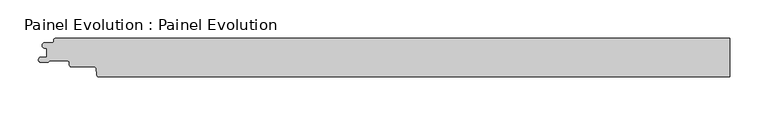
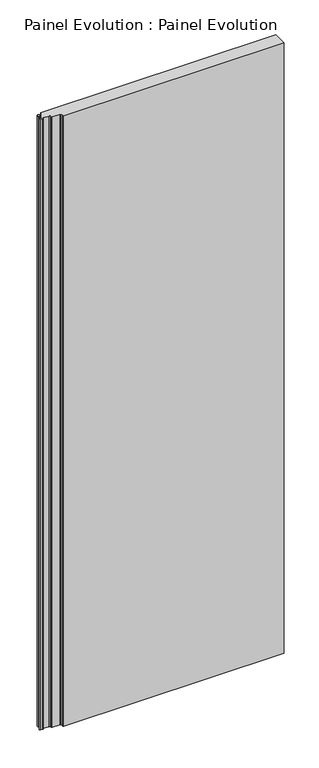
"""IFC4 building model written with IfcOpenShell, lengths in millimetres: proxy geometry, Painel Evolution : Painel Evolution."""

from ifc_helpers import new_model, si_unit, point, frame_2d, origin, origin_with_axes, place, context, project, spatial, polyline, circle_curve, trimmed, segment, composite_curve, outline, extrude, source, transform, mapped, element, save


def painel_evolution_painel_evolution_dfe32b37(model_context):
    return source(origin(), model_context, "Body", "SweptSolid", [
        extrude(outline(composite_curve([segment(polyline([(-516.0390625, 25.0), (359.9999997, 25.0), (359.9999997, -25.0), (-459.4023864, -25.0)]), True, "CONTINUOUS"), segment(trimmed(circle_curve(frame_2d((-459.3507103, -22.1106339)), 2.8898282), [point((-459.4023864, -25.0))], [point((-462.2295384, -22.3625382))], False, "CARTESIAN"), True, "CONTINUOUS"), segment(polyline([(-462.2295384, -22.3625382), (-462.9760411, -13.8313116)]), True, "CONTINUOUS"), segment(trimmed(circle_curve(frame_2d((-464.9959051, -14.0080546)), 2.027582), [point((-462.9760411, -13.8313116))], [point((-463.3872648, -12.7738078))], True, "CARTESIAN"), True, "CONTINUOUS"), segment(trimmed(circle_curve(frame_2d((-464.9740222, -13.9912647)), 2.0), [point((-463.3872648, -12.7738078))], [point((-464.9818684, -11.99128))], True, "CARTESIAN"), True, "CONTINUOUS"), segment(polyline([(-464.9818684, -11.99128), (-494.9687938, -11.99128)]), True, "CONTINUOUS"), segment(trimmed(circle_curve(frame_2d((-494.9687938, -9.19128)), 2.8), [point((-494.9687938, -11.99128))], [point((-497.7687939, -9.19128))], False, "CARTESIAN"), True, "CONTINUOUS"), segment(polyline([(-497.7687939, -9.19128), (-497.7687939, -6.9007195)]), True, "CONTINUOUS"), segment(trimmed(circle_curve(frame_2d((-500.7687939, -6.9007195)), 3.0), [point((-497.7687939, -6.9007195))], [point((-500.7687939, -3.9007195))], True, "CARTESIAN"), True, "CONTINUOUS"), segment(polyline([(-500.7687939, -3.9007195), (-522.8062687, -3.9007195)]), True, "CONTINUOUS"), segment(trimmed(circle_curve(frame_2d((-522.8062687, -5.5007195)), 1.6), [point((-522.8062687, -3.9007195))], [point((-524.0123453, -4.4493494))], True, "CARTESIAN"), True, "CONTINUOUS"), segment(trimmed(circle_curve(frame_2d((-526.7593331, -2.7294942)), 3.2409634), [point((-524.0123453, -4.4493494))], [point((-525.2140128, -5.5783236))], False, "CARTESIAN"), True, "CONTINUOUS"), segment(trimmed(circle_curve(frame_2d((-526.3266399, -3.4518098)), 2.4), [point((-525.2140128, -5.5783236))], [point((-526.4215824, -5.8499312))], False, "CARTESIAN"), True, "CONTINUOUS"), segment(polyline([(-526.4215824, -5.8499312), (-534.7667193, -5.8499312)]), True, "CONTINUOUS"), segment(trimmed(circle_curve(frame_2d((-534.7667193, -2.5812398)), 3.2686913), [point((-534.7667193, -5.8499312))], [point((-534.9577702, 0.6818634))], False, "CARTESIAN"), True, "CONTINUOUS"), segment(polyline([(-534.9577702, 0.6818634), (-527.1155186, 0.6818634), (-527.1155186, 12.4922678), (-530.6488863, 12.4922678)]), True, "CONTINUOUS"), segment(trimmed(circle_curve(frame_2d((-529.8390625, 16.0)), 3.6), [point((-530.6488863, 12.4922678))], [point((-529.8390625, 19.6))], False, "CARTESIAN"), True, "CONTINUOUS"), segment(polyline([(-529.8390625, 19.6), (-520.0390625, 19.6)]), True, "CONTINUOUS"), segment(trimmed(circle_curve(frame_2d((-520.0390625, 21.6)), 2.0), [point((-520.0390625, 19.6))], [point((-518.0390625, 21.6))], True, "CARTESIAN"), True, "CONTINUOUS"), segment(polyline([(-518.0390625, 21.6), (-518.0390625, 23.0)]), True, "CONTINUOUS"), segment(trimmed(circle_curve(frame_2d((-516.0390625, 23.0)), 2.0), [point((-518.0390625, 23.0))], [point((-516.0390625, 25.0))], False, "CARTESIAN"), True, "CONTINUOUS")], self_intersect=False)), origin_with_axes(), (0.0, 0.0, 1.0), 2400.0),
    ])


if __name__ == "__main__":
    model = new_model("IFC4")
    model_context = context("Model", 3, world=origin())
    ifc_project = project(units=[si_unit("LENGTHUNIT", "METRE", prefix="MILLI")], contexts=[model_context])
    site = spatial("IfcSite", under=ifc_project)
    building = spatial("IfcBuilding", under=site)
    placement = place(None, origin())
    painel_evolution_painel_evolution_shape = painel_evolution_painel_evolution_dfe32b37(model_context)
    element("IfcBuildingElementProxy", 1, Name="Painel Evolution : Painel Evolution", ObjectType="Painel Evolution : Painel Evolution", at=placement, inside=building, context=model_context, shape_type="MappedRepresentation", body=[
        mapped(painel_evolution_painel_evolution_shape, transform((0.0, 0.0, 0.0), x_axis=(1.0, 0.0, 0.0), y_axis=(0.0, 1.0, 0.0), z_axis=(0.0, 0.0, 1.0))),
    ])
    save(model, "model.ifc")
